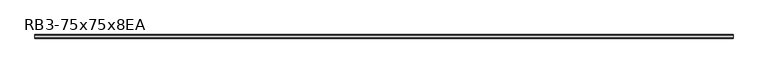
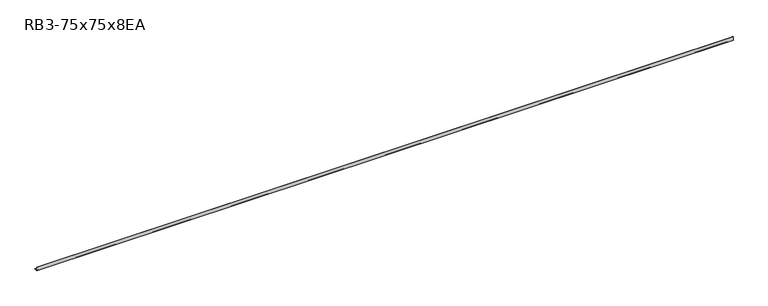
"""IFC4 building model written with IfcOpenShell, lengths in millimetres: member geometry, RB3-75x75x8EA."""

import ifcopenshell
import ifcopenshell.guid

model = None  # the IFC model being written
_history = None  # IfcOwnerHistory: only IFC2X3 demands one
_inside = {}  # id of a spatial element -> (the spatial element, [elements in it])
_under = {}  # id of a project, library or spatial element -> (it, [spatial elements below it])
_declared = {}  # id of a project -> (the project, [libraries it declares])
_typed = {}  # id of a type object -> (the type object, [elements of that type])
_made_of = {}  # id of a material, layer set ... -> (it, [elements and type objects made of it])


def new_model(schema):
    """Start an empty IFC model of exactly this schema.

    Asked for "IFC4X3", IfcOpenShell would pick the latest addendum, in which some entities
    have other attributes; the version numbers below select the first issue.
    IFC2X3 requires an IfcOwnerHistory on every rooted entity: one is made here for all.
    """
    global model, _history
    if schema == "IFC4X3":
        model = ifcopenshell.file(schema_version=(4, 3, 0, 0))
    else:
        model = ifcopenshell.file(schema=schema)
    _inside.clear()
    _under.clear()
    _declared.clear()
    _typed.clear()
    _made_of.clear()
    _history = None
    if model.schema == "IFC2X3":
        org = make("IfcOrganization", Name="unknown")
        user = make(
            "IfcPersonAndOrganization",
            ThePerson=make("IfcPerson", FamilyName="unknown"),
            TheOrganization=org,
        )
        app = make(
            "IfcApplication",
            ApplicationDeveloper=org,
            Version="unknown",
            ApplicationFullName="unknown",
            ApplicationIdentifier="unknown",
        )
        _history = make(
            "IfcOwnerHistory",
            OwningUser=user,
            OwningApplication=app,
            ChangeAction="ADDED",
            CreationDate=0,
        )
    return model


def make(cls, **values):
    """One entity of the class cls with the attributes given. An attribute that is None is left unset."""
    return model.create_entity(
        cls, **{name: value for name, value in values.items() if value is not None}
    )


def rooted(cls, **values):
    """An entity with a GlobalId (a new one), such as an element, a storey or a relation."""
    return make(cls, GlobalId=ifcopenshell.guid.new(), OwnerHistory=_history, **values)


def si_unit(unit_type, name, prefix=None):
    """IfcSIUnit, for example si_unit("LENGTHUNIT", "METRE", prefix="MILLI")."""
    return make("IfcSIUnit", UnitType=unit_type, Prefix=prefix, Name=name)


def assignment(units):
    """IfcUnitAssignment: the units of a project."""
    return None if units is None else make("IfcUnitAssignment", Units=units)


def point(xyz):
    """IfcCartesianPoint."""
    return None if xyz is None else make("IfcCartesianPoint", Coordinates=xyz)


def direction(xyz):
    """IfcDirection."""
    return None if xyz is None else make("IfcDirection", DirectionRatios=xyz)


def frame(location, z_axis=None, x_axis=None):
    """IfcAxis2Placement3D, a coordinate frame: its origin and axes. An axis left out is left unset."""
    return make(
        "IfcAxis2Placement3D",
        Location=point(location),
        Axis=direction(z_axis),
        RefDirection=direction(x_axis),
    )


def frame_2d(location, x_axis=None):
    """IfcAxis2Placement2D, a coordinate frame in the plane: its origin and x axis."""
    return make(
        "IfcAxis2Placement2D", Location=point(location), RefDirection=direction(x_axis)
    )


def origin():
    """The frame at (0, 0, 0) with its axes left unset."""
    return frame((0.0, 0.0, 0.0))


def place(relative_to, where):
    """IfcLocalPlacement: puts the frame where relative to a parent placement (None: the world)."""
    return make(
        "IfcLocalPlacement", PlacementRelTo=relative_to, RelativePlacement=where
    )


def context(
    kind, dimensions, precision=None, world=None, true_north=None, identifier=None
):
    """IfcGeometricRepresentationContext, for example the 3D "Model" context."""
    return make(
        "IfcGeometricRepresentationContext",
        ContextIdentifier=identifier,
        ContextType=kind,
        CoordinateSpaceDimension=dimensions,
        Precision=precision,
        WorldCoordinateSystem=world,
        TrueNorth=true_north,
    )


def project(units=None, contexts=None):
    """IfcProject with its units and contexts."""
    return rooted(
        "IfcProject",
        Name="project",
        RepresentationContexts=contexts,
        UnitsInContext=assignment(units),
    )


def spatial(cls, under=None, at=None, **own):
    """A site, building, storey or space (cls), placed at a placement, below another one or the project."""
    s = rooted(cls, ObjectPlacement=at, **own)
    if under is not None:
        _under.setdefault(under.id(), (under, []))[1].append(s)
    return s


def polyline(points):
    """IfcPolyline through the points."""
    return make("IfcPolyline", Points=[point(p) for p in points])


def circle_curve(where, radius):
    """IfcCircle in the frame where."""
    return make("IfcCircle", Position=where, Radius=radius)


def trimmed(basis, trim1, trim2, sense, master):
    """IfcTrimmedCurve: the piece of a basis curve between two trims."""
    return make(
        "IfcTrimmedCurve",
        BasisCurve=basis,
        Trim1=trim1,
        Trim2=trim2,
        SenseAgreement=sense,
        MasterRepresentation=master,
    )


def segment(curve, same_sense, transition):
    """IfcCompositeCurveSegment."""
    return make(
        "IfcCompositeCurveSegment",
        Transition=transition,
        SameSense=same_sense,
        ParentCurve=curve,
    )


def composite_curve(segments, self_intersect=None):
    """IfcCompositeCurve: segments joined end to end."""
    return make("IfcCompositeCurve", Segments=segments, SelfIntersect=self_intersect)


def outline(outer, holes=None, kind="AREA"):
    """IfcArbitraryClosedProfileDef: a profile drawn as a closed curve; with holes, ...WithVoids."""
    if holes is None:
        return make("IfcArbitraryClosedProfileDef", ProfileType=kind, OuterCurve=outer)
    return make(
        "IfcArbitraryProfileDefWithVoids",
        ProfileType=kind,
        OuterCurve=outer,
        InnerCurves=holes,
    )


def extrude(swept, where, along, depth):
    """IfcExtrudedAreaSolid: the profile swept, set in the frame where, extruded along a direction by depth."""
    return make(
        "IfcExtrudedAreaSolid",
        SweptArea=swept,
        Position=where,
        ExtrudedDirection=direction(along),
        Depth=depth,
    )


def shape(context_of_items, identifier, shape_type, items):
    """IfcShapeRepresentation: the items that make up one representation, for example the "Body"."""
    return make(
        "IfcShapeRepresentation",
        ContextOfItems=context_of_items,
        RepresentationIdentifier=identifier,
        RepresentationType=shape_type,
        Items=items,
    )


def source(mapping_origin, context_of_items, identifier, shape_type, items):
    """IfcRepresentationMap: a shape defined once, which mapped items show again and again."""
    return make(
        "IfcRepresentationMap",
        MappingOrigin=mapping_origin,
        MappedRepresentation=shape(context_of_items, identifier, shape_type, items),
    )


def transform(
    local_origin,
    x_axis=None,
    y_axis=None,
    z_axis=None,
    scale=None,
    scale2=None,
    scale3=None,
    uniform=True,
):
    """IfcCartesianTransformationOperator3D, or its non-uniform kind. x_axis, y_axis, z_axis: its Axis1, 2, 3."""
    if uniform:
        return make(
            "IfcCartesianTransformationOperator3D",
            Axis1=direction(x_axis),
            Axis2=direction(y_axis),
            LocalOrigin=point(local_origin),
            Scale=scale,
            Axis3=direction(z_axis),
        )
    return make(
        "IfcCartesianTransformationOperator3DnonUniform",
        Axis1=direction(x_axis),
        Axis2=direction(y_axis),
        LocalOrigin=point(local_origin),
        Scale=scale,
        Axis3=direction(z_axis),
        Scale2=scale2,
        Scale3=scale3,
    )


def mapped(mapping_source, mapping_target):
    """IfcMappedItem: shows the shape of a source again, moved by a transform."""
    return make(
        "IfcMappedItem", MappingSource=mapping_source, MappingTarget=mapping_target
    )


def made_of(thing, what):
    """Note that an element or type object is made of a material, layer set ...; save() writes the relation."""
    if what is not None:
        _made_of.setdefault(what.id(), (what, []))[1].append(thing)
    return thing


def element(
    cls,
    number,
    at=None,
    inside=None,
    cuts=None,
    type_object=None,
    material=None,
    context=None,
    identifier="Body",
    shape_type=None,
    held_by="IfcProductDefinitionShape",
    body=None,
    shapes=None,
    **own,
):
    """One element of the class cls, such as IfcWall. Its Tag is "e" and its number.

    at: its placement. inside: the storey or other place that contains it. cuts: it is an
    opening in that element (IfcRelVoidsElement). A single representation is given by context,
    identifier, shape_type and body (its items); several are given by shapes. held_by: the class
    of the entity that holds the representations. save() writes the other relations.
    """
    e = rooted(cls, Tag="e%d" % number, ObjectPlacement=at, **own)
    if body is not None:
        shapes = [shape(context, identifier, shape_type, body)]
    if shapes is not None:
        e.Representation = make(held_by, Representations=shapes)
    if inside is not None:
        _inside.setdefault(inside.id(), (inside, []))[1].append(e)
    if cuts is not None:
        rooted(
            "IfcRelVoidsElement", RelatingBuildingElement=cuts, RelatedOpeningElement=e
        )
    if type_object is not None:
        _typed.setdefault(type_object.id(), (type_object, []))[1].append(e)
    return made_of(e, material)


def aggregate(whole, parts):
    """IfcRelAggregates: a whole, such as a stair, and the parts it consists of."""
    return rooted("IfcRelAggregates", RelatingObject=whole, RelatedObjects=parts)


def save(model, path):
    """Write the relations noted so far, then the file.

    IfcRelAggregates (storeys below a building ...), IfcRelContainedInSpatialStructure (elements
    in a storey), IfcRelDefinesByType, IfcRelAssociatesMaterial and IfcRelDeclares: one each for
    every whole, place, type object, material and project.
    """
    for whole, parts in _under.values():
        aggregate(whole, parts)
    for where, things in _inside.values():
        rooted(
            "IfcRelContainedInSpatialStructure",
            RelatedElements=things,
            RelatingStructure=where,
        )
    for kind, things in _typed.values():
        rooted("IfcRelDefinesByType", RelatedObjects=things, RelatingType=kind)
    for what, things in _made_of.values():
        rooted("IfcRelAssociatesMaterial", RelatedObjects=things, RelatingMaterial=what)
    for by, libraries in _declared.values():
        rooted("IfcRelDeclares", RelatingContext=by, RelatedDefinitions=libraries)
    model.write(path)


def rb3_75x75x8ea_87672794(model_context):
    return source(origin(), model_context, "Body", "SweptSolid", [
        extrude(outline(composite_curve([segment(polyline([(-21.3, -21.3), (-21.3, 53.7), (-18.3, 53.7)]), True, "CONTINUOUS"), segment(trimmed(circle_curve(frame_2d((-18.3, 48.7)), 5.0), [point((-18.3, 53.7))], [point((-13.3, 48.7))], False, "CARTESIAN"), True, "CONTINUOUS"), segment(polyline([(-13.3, 48.7), (-13.3, -5.3)]), True, "CONTINUOUS"), segment(trimmed(circle_curve(frame_2d((-5.3, -5.3)), 8.0), [point((-13.3, -5.3))], [point((-5.3, -13.3))], True, "CARTESIAN"), True, "CONTINUOUS"), segment(polyline([(-5.3, -13.3), (48.7, -13.3)]), True, "CONTINUOUS"), segment(trimmed(circle_curve(frame_2d((48.7, -18.3)), 5.0), [point((48.7, -13.3))], [point((53.7, -18.3))], False, "CARTESIAN"), True, "CONTINUOUS"), segment(polyline([(53.7, -18.3), (53.7, -21.3), (-21.3, -21.3)]), True, "CONTINUOUS")], self_intersect=False)), frame((-7427.5, 0.0, 0.0), z_axis=(1.0, 0.0, 0.0), x_axis=(0.0, 1.0, 0.0)), (0.0, 0.0, 1.0), 14565.5529719),
    ])


if __name__ == "__main__":
    model = new_model("IFC4")
    model_context = context("Model", 3, world=origin())
    ifc_project = project(units=[si_unit("LENGTHUNIT", "METRE", prefix="MILLI")], contexts=[model_context])
    site = spatial("IfcSite", under=ifc_project)
    building = spatial("IfcBuilding", under=site)
    placement = place(None, origin())
    rb3_75x75x8ea_shape = rb3_75x75x8ea_87672794(model_context)
    element("IfcMember", 1, ObjectType="RB3-75x75x8EA", at=placement, inside=building, context=model_context, shape_type="MappedRepresentation", body=[
        mapped(rb3_75x75x8ea_shape, transform((0.0, 0.0, 0.0), x_axis=(1.0, 0.0, 0.0), y_axis=(0.0, 1.0, 0.0), z_axis=(0.0, 0.0, 1.0))),
    ])
    save(model, "model.ifc")
